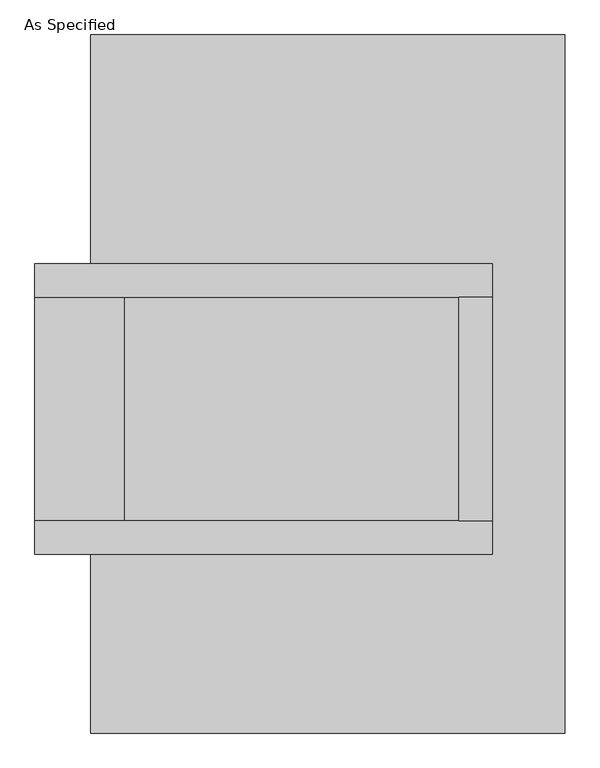
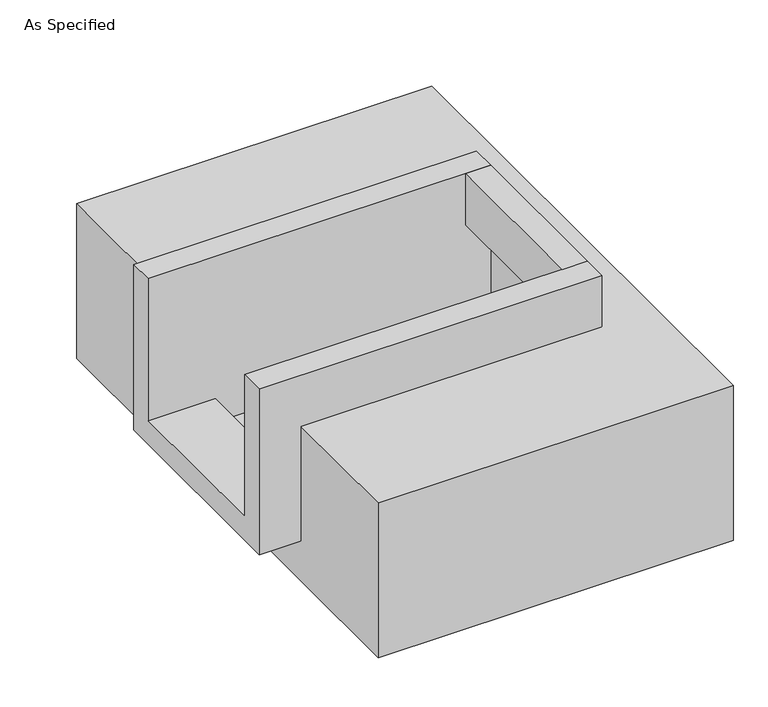
"""IFC4 building model written with IfcOpenShell, lengths in millimetres: proxy geometry, As Specified."""

from ifc_helpers import new_model, si_unit, frame, origin, place, context, project, spatial, polyline, outline, extrude, faceted_brep, source, transform, mapped, element, save


def as_specified_4d919e24(model_context):
    return source(origin(), model_context, "Body", "SolidModel", [
        extrude(outline(polyline([(298.45, 196.85), (374.65, 196.85), (374.65, -311.15), (298.45, -311.15), (298.45, 196.85)])), frame((0.0, 0.0, -25.4), z_axis=(0.0, 0.0, 1.0), x_axis=(1.0, 0.0, 0.0)), (0.0, 0.0, 1.0), 165.1),
        faceted_brep([(374.65, 196.85, 139.7), (374.65, 196.85, -317.5), (374.65, -311.15, -317.5), (374.65, -311.15, 139.7), (374.65, -387.35, 139.7), (374.65, -387.35, -393.7), (374.65, 273.05, -393.7), (374.65, 273.05, 139.7), (-666.75, 196.85, 139.7), (-666.75, 273.05, 139.7), (-666.75, 273.05, -393.7), (-666.75, -387.35, -393.7), (-666.75, -387.35, 139.7), (-666.75, -311.15, 139.7), (-666.75, -311.15, -317.5), (-666.75, 196.85, -317.5), (-463.55, 196.85, -393.7), (-463.55, -311.15, -393.7), (298.45, -311.15, -393.7), (298.45, 196.85, -393.7), (298.45, -311.15, -317.5), (-463.55, -311.15, -317.5), (298.45, 196.85, -317.5), (-463.55, 196.85, -317.5)], [[[0, 1, 2, 3, 4, 5, 6, 7]], [[8, 9, 10, 11, 12, 13, 14, 15]], [[0, 7, 9, 8]], [[7, 6, 10, 9]], [[6, 5, 11, 10], [16, 17, 18, 19]], [[4, 3, 13, 12]], [[3, 2, 20, 18, 17, 21, 14, 13]], [[2, 1, 22, 20]], [[15, 14, 21, 23]], [[1, 0, 8, 15, 23, 16, 19, 22]], [[21, 17, 16, 23]], [[18, 20, 22, 19]], [[5, 4, 12, 11]]]),
        faceted_brep([(-539.75, 793.75, -523.9742188), (539.75, 793.75, -523.9742188), (539.75, -793.75, -523.9742188), (-539.75, -793.75, -523.9742188), (539.75, 793.75, -25.4), (-539.75, 793.75, -25.4), (-539.75, 273.05, -25.4), (374.65, 273.05, -25.4), (374.65, -387.35, -25.4), (-539.75, -387.35, -25.4), (-539.75, -793.75, -25.4), (539.75, -793.75, -25.4), (-539.75, -387.35, -393.7), (-539.75, 273.05, -393.7), (374.65, 273.05, -393.7), (374.65, -387.35, -393.7)], [[[0, 1, 2, 3]], [[4, 5, 6, 7, 8, 9, 10, 11]], [[1, 0, 5, 4]], [[5, 0, 3, 10, 9, 12, 13, 6]], [[1, 4, 11, 2]], [[3, 2, 11, 10]], [[14, 15, 8, 7]], [[13, 14, 7, 6]], [[15, 14, 13, 12]], [[15, 12, 9, 8]]]),
    ])


if __name__ == "__main__":
    model = new_model("IFC4")
    model_context = context("Model", 3, world=origin())
    ifc_project = project(units=[si_unit("LENGTHUNIT", "METRE", prefix="MILLI")], contexts=[model_context])
    site = spatial("IfcSite", under=ifc_project)
    building = spatial("IfcBuilding", under=site)
    placement = place(None, origin())
    as_specified_shape = as_specified_4d919e24(model_context)
    element("IfcBuildingElementProxy", 1, Name="As Specified", ObjectType="As Specified", at=placement, inside=building, context=model_context, shape_type="MappedRepresentation", body=[
        mapped(as_specified_shape, transform((0.0, 0.0, 0.0), x_axis=(1.0, 0.0, 0.0), y_axis=(0.0, 1.0, 0.0), z_axis=(0.0, 0.0, 1.0))),
    ])
    save(model, "model.ifc")
